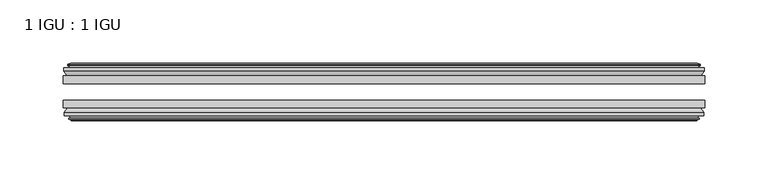
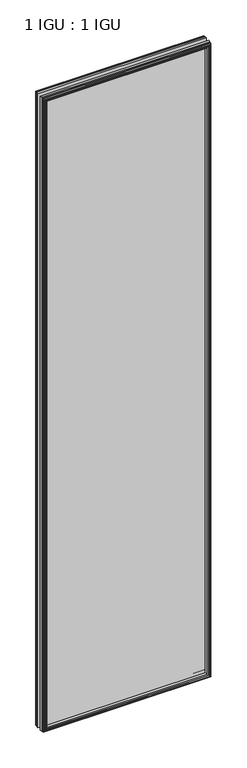
"""IFC4 building model written with IfcOpenShell, lengths in millimetres: plate geometry, 1 IGU : 1 IGU."""

from ifc_helpers import new_model, si_unit, frame, origin, place, context, project, spatial, polyline, outline, extrude, faceted_brep, source, transform, mapped, element, save


def plate_1_igu_1_igu_75ca2d09(model_context):
    return source(origin(), model_context, "Body", "SolidModel", [
        extrude(outline(polyline([(253.4841885, -19.5460937), (253.4841885, -25.8960938), (-253.4841885, -25.8960938), (-253.4841885, -19.5460937), (253.4841885, -19.5460937)])), frame((0.0, 0.0, -12.7), z_axis=(0.0, 0.0, 1.0), x_axis=(1.0, 0.0, 0.0)), (0.0, 0.0, 1.0), 2019.289595),
        extrude(outline(polyline([(-253.4841885, -44.9460938), (-253.4841885, -38.9186737), (253.4841885, -38.9186737), (253.4841885, -44.9460938), (-253.4841885, -44.9460938)])), frame((0.0, 0.0, -12.7), z_axis=(0.0, 0.0, 1.0), x_axis=(1.0, 0.0, 0.0)), (0.0, 0.0, 1.0), 2019.289595),
        faceted_brep([(-247.8961885, -53.6762907, 2001.001595), (-248.2771885, -51.2960937, 2001.382595), (-248.2771885, -51.2960937, -7.493), (-247.8961885, -53.6762907, -7.112), (-249.3117175, -53.2163575, 2002.4171241), (-249.3117175, -53.2163575, -8.5275291), (-249.3117175, -54.0175717, 2002.4171241), (-249.3117175, -54.0175717, -8.5275291), (-247.1341885, -54.7250937, 2000.239595), (-247.1341885, -54.7250937, -6.35), (-244.9566594, -54.0175717, 1998.062066), (-244.9566594, -54.0175717, -4.1724709), (-244.9566594, -53.2163575, 1998.062066), (-244.9566594, -53.2163575, -4.1724709), (-246.3721885, -53.6762907, 1999.477595), (-246.3721885, -53.6762907, -5.588), (-245.9911885, -51.2960937, 1999.096595), (-245.9911885, -51.2960937, -5.207), (-239.0664704, -44.9460937, 1992.171877), (-240.7841885, -51.2960937, 1993.889595), (-240.7841885, -51.2960937, 0.0), (-239.0664704, -44.9460937, 1.7177181), (-252.7221885, -48.3496937, 2005.827595), (-249.8878463, -44.9460937, 2002.9932529), (-249.8878463, -44.9460937, -9.1036578), (-252.7221885, -48.3496937, -11.938), (-252.7221885, -51.2960937, 2005.827595), (-252.7221885, -51.2960937, -11.938), (248.2771885, -51.2960938, -7.493), (247.8961885, -53.6762907, -7.112), (249.3117175, -53.2163575, -8.5275291), (249.3117175, -54.0175717, -8.5275291), (247.1341885, -54.7250937, -6.35), (244.9566594, -54.0175717, -4.1724709), (244.9566594, -53.2163575, -4.1724709), (246.3721885, -53.6762907, -5.588), (245.9911885, -51.2960937, -5.207), (240.7841885, -51.2960937, 0.0), (239.0664704, -44.9460937, 1.7177181), (249.8878463, -44.9460937, -9.1036578), (252.7221885, -48.3496937, -11.938), (252.7221885, -51.2960938, -11.938), (248.2771885, -51.2960938, 2001.382595), (247.8961885, -53.6762907, 2001.001595), (249.3117175, -53.2163575, 2002.4171241), (249.3117175, -54.0175717, 2002.4171241), (247.1341885, -54.7250937, 2000.239595), (244.9566594, -54.0175717, 1998.062066), (244.9566594, -53.2163575, 1998.062066), (246.3721885, -53.6762907, 1999.477595), (245.9911885, -51.2960937, 1999.096595), (240.7841885, -51.2960937, 1993.889595), (239.0664704, -44.9460937, 1992.171877), (249.8878463, -44.9460937, 2002.9932529), (252.7221885, -48.3496937, 2005.827595), (252.7221885, -51.2960938, 2005.827595)], [[[0, 1, 2, 3]], [[4, 0, 3, 5]], [[6, 4, 5, 7]], [[8, 6, 7, 9]], [[10, 8, 9, 11]], [[12, 10, 11, 13]], [[14, 12, 13, 15]], [[16, 14, 15, 17]], [[18, 19, 20, 21]], [[22, 23, 24, 25]], [[26, 22, 25, 27]], [[3, 2, 28, 29]], [[5, 3, 29, 30]], [[7, 5, 30, 31]], [[9, 7, 31, 32]], [[11, 9, 32, 33]], [[13, 11, 33, 34]], [[15, 13, 34, 35]], [[17, 15, 35, 36]], [[21, 20, 37, 38]], [[25, 24, 39, 40]], [[27, 25, 40, 41]], [[29, 28, 42, 43]], [[30, 29, 43, 44]], [[31, 30, 44, 45]], [[32, 31, 45, 46]], [[33, 32, 46, 47]], [[34, 33, 47, 48]], [[35, 34, 48, 49]], [[36, 35, 49, 50]], [[38, 37, 51, 52]], [[40, 39, 53, 54]], [[41, 40, 54, 55]], [[27, 41, 55, 26], [1, 42, 28, 2]], [[43, 42, 1, 0]], [[44, 43, 0, 4]], [[45, 44, 4, 6]], [[46, 45, 6, 8]], [[47, 46, 8, 10]], [[48, 47, 10, 12]], [[49, 48, 12, 14]], [[50, 49, 14, 16]], [[17, 36, 50, 16], [19, 51, 37, 20]], [[52, 51, 19, 18]], [[23, 53, 39, 24], [21, 38, 52, 18]], [[54, 53, 23, 22]], [[55, 54, 22, 26]]]),
        faceted_brep([(-250.4085463, -19.5460937, 2003.5139529), (-253.2428885, -16.1424937, 2006.348295), (-253.2428885, -16.1424937, -12.4587), (-250.4085463, -19.5460937, -9.6243578), (-241.3048885, -13.1960937, 1994.410295), (-239.5871704, -19.5460937, 1992.692577), (-239.5871704, -19.5460937, 1.1970181), (-241.3048885, -13.1960937, -0.5207), (-246.8928885, -10.8158968, 1999.998295), (-246.5118885, -13.1960937, 1999.617295), (-246.5118885, -13.1960937, -5.7277), (-246.8928885, -10.8158968, -6.1087), (-245.4773594, -11.27583, 1998.582766), (-245.4773594, -11.27583, -4.6931709), (-245.4773594, -10.4746158, 1998.582766), (-245.4773594, -10.4746158, -4.6931709), (-247.6548885, -9.7670937, 2000.760295), (-247.6548885, -9.7670937, -6.8707), (-249.8324175, -10.4746158, 2002.9378241), (-249.8324175, -10.4746158, -9.0482291), (-249.8324175, -11.27583, 2002.9378241), (-249.8324175, -11.27583, -9.0482291), (-248.4168885, -10.8158968, 2001.522295), (-248.4168885, -10.8158968, -7.6327), (-248.7978885, -13.1960937, 2001.903295), (-248.7978885, -13.1960937, -8.0137), (-253.2428885, -13.1960937, 2006.348295), (-253.2428885, -13.1960937, -12.4587), (253.2428885, -16.1424937, -12.4587), (250.4085463, -19.5460937, -9.6243578), (239.5871704, -19.5460937, 1.1970181), (241.3048885, -13.1960937, -0.5207), (246.5118885, -13.1960937, -5.7277), (246.8928885, -10.8158968, -6.1087), (245.4773594, -11.27583, -4.6931709), (245.4773594, -10.4746158, -4.6931709), (247.6548885, -9.7670937, -6.8707), (249.8324175, -10.4746158, -9.0482291), (249.8324175, -11.27583, -9.0482291), (248.4168885, -10.8158968, -7.6327), (248.7978885, -13.1960937, -8.0137), (253.2428885, -13.1960937, -12.4587), (253.2428885, -16.1424937, 2006.348295), (250.4085463, -19.5460937, 2003.5139529), (239.5871704, -19.5460937, 1992.692577), (241.3048885, -13.1960937, 1994.410295), (246.5118885, -13.1960937, 1999.617295), (246.8928885, -10.8158968, 1999.998295), (245.4773594, -11.27583, 1998.582766), (245.4773594, -10.4746158, 1998.582766), (247.6548885, -9.7670937, 2000.760295), (249.8324175, -10.4746158, 2002.9378241), (249.8324175, -11.27583, 2002.9378241), (248.4168885, -10.8158968, 2001.522295), (248.7978885, -13.1960937, 2001.903295), (253.2428885, -13.1960937, 2006.348295)], [[[0, 1, 2, 3]], [[4, 5, 6, 7]], [[8, 9, 10, 11]], [[12, 8, 11, 13]], [[14, 12, 13, 15]], [[16, 14, 15, 17]], [[18, 16, 17, 19]], [[20, 18, 19, 21]], [[22, 20, 21, 23]], [[24, 22, 23, 25]], [[1, 26, 27, 2]], [[3, 2, 28, 29]], [[7, 6, 30, 31]], [[11, 10, 32, 33]], [[13, 11, 33, 34]], [[15, 13, 34, 35]], [[17, 15, 35, 36]], [[19, 17, 36, 37]], [[21, 19, 37, 38]], [[23, 21, 38, 39]], [[25, 23, 39, 40]], [[2, 27, 41, 28]], [[29, 28, 42, 43]], [[31, 30, 44, 45]], [[33, 32, 46, 47]], [[34, 33, 47, 48]], [[35, 34, 48, 49]], [[36, 35, 49, 50]], [[37, 36, 50, 51]], [[38, 37, 51, 52]], [[39, 38, 52, 53]], [[40, 39, 53, 54]], [[28, 41, 55, 42]], [[43, 42, 1, 0]], [[3, 29, 43, 0], [5, 44, 30, 6]], [[45, 44, 5, 4]], [[9, 46, 32, 10], [7, 31, 45, 4]], [[47, 46, 9, 8]], [[48, 47, 8, 12]], [[49, 48, 12, 14]], [[50, 49, 14, 16]], [[51, 50, 16, 18]], [[52, 51, 18, 20]], [[53, 52, 20, 22]], [[54, 53, 22, 24]], [[26, 55, 41, 27], [25, 40, 54, 24]], [[42, 55, 26, 1]]]),
    ])


if __name__ == "__main__":
    model = new_model("IFC4")
    model_context = context("Model", 3, world=origin())
    ifc_project = project(units=[si_unit("LENGTHUNIT", "METRE", prefix="MILLI")], contexts=[model_context])
    site = spatial("IfcSite", under=ifc_project)
    building = spatial("IfcBuilding", under=site)
    placement = place(None, origin())
    plate_1_igu_1_igu_shape = plate_1_igu_1_igu_75ca2d09(model_context)
    element("IfcPlate", 1, ObjectType="1 IGU : 1 IGU", at=placement, inside=building, context=model_context, shape_type="MappedRepresentation", body=[
        mapped(plate_1_igu_1_igu_shape, transform((0.0, 0.0, 0.0), x_axis=(1.0, 0.0, 0.0), y_axis=(0.0, 1.0, 0.0), z_axis=(0.0, 0.0, 1.0))),
    ])
    save(model, "model.ifc")
